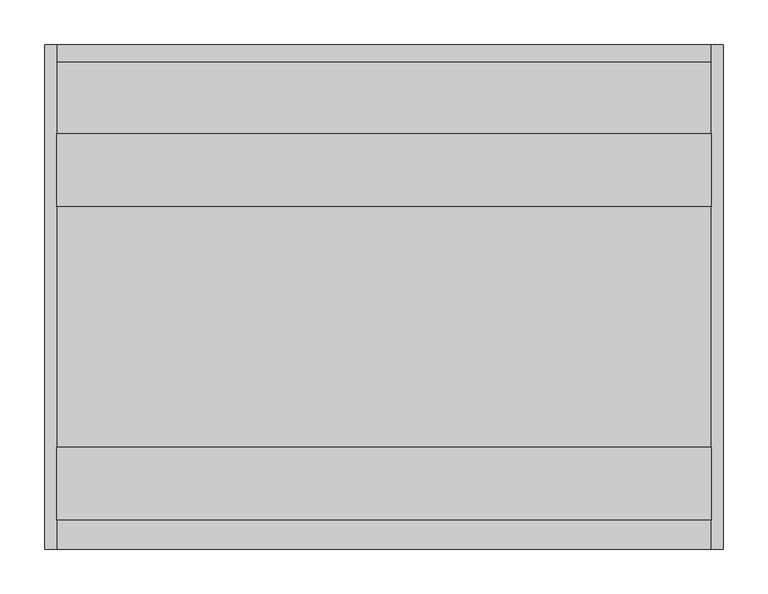
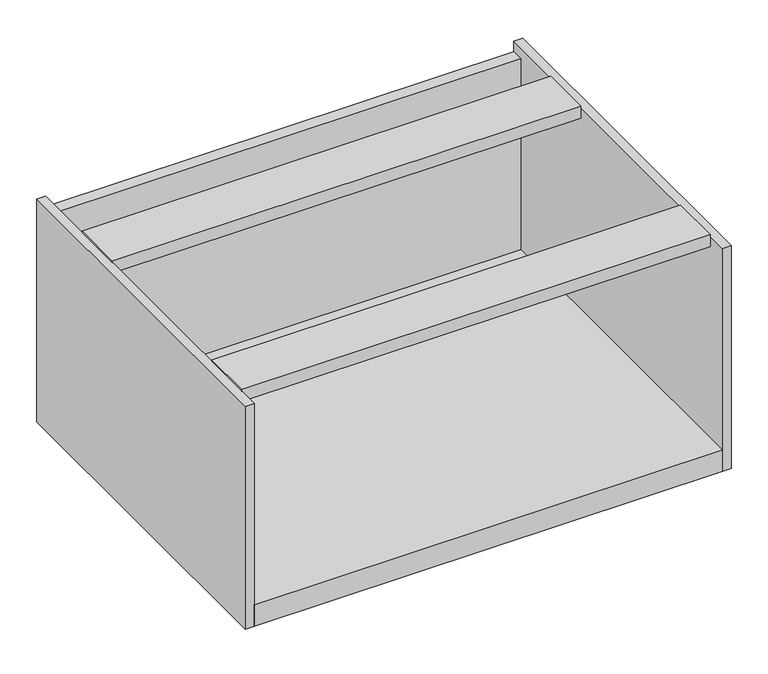
"""IFC4 building model written with IfcOpenShell, lengths in millimetres: furniture geometry."""

from ifc_helpers import new_model, si_unit, point, frame, frame_2d, origin, origin_with_axes, place, context, project, spatial, polyline, circle_curve, trimmed, segment, composite_curve, outline, extrude, source, transform, mapped, element, save


def furniture_46d05b79(model_context):
    return source(origin(), model_context, "Body", "SweptSolid", [
        extrude(outline(composite_curve([segment(trimmed(circle_curve(frame_2d((19.0968082, 553.6823789)), 14.478), [point((4.6188082, 553.6823789))], [point((33.5748082, 553.6823789))], False, "CARTESIAN"), True, "CONTINUOUS"), segment(trimmed(circle_curve(frame_2d((19.0968082, 553.6823789)), 14.478), [point((33.5748082, 553.6823789))], [point((4.6188082, 553.6823789))], False, "CARTESIAN"), True, "CONTINUOUS")], self_intersect=False)), origin_with_axes(), (0.0, 0.0, 1.0), 12.7),
        extrude(outline(composite_curve([segment(trimmed(circle_curve(frame_2d((19.0968082, 55.3254588)), 14.478), [point((4.6188082, 55.3254588))], [point((33.5748082, 55.3254588))], False, "CARTESIAN"), True, "CONTINUOUS"), segment(trimmed(circle_curve(frame_2d((19.0968082, 55.3254588)), 14.478), [point((33.5748082, 55.3254588))], [point((4.6188082, 55.3254588))], False, "CARTESIAN"), True, "CONTINUOUS")], self_intersect=False)), origin_with_axes(), (0.0, 0.0, 1.0), 12.7),
        extrude(outline(composite_curve([segment(trimmed(circle_curve(frame_2d((709.4419262, 553.6823789)), 14.478), [point((694.9639262, 553.6823789))], [point((723.9199262, 553.6823789))], False, "CARTESIAN"), True, "CONTINUOUS"), segment(trimmed(circle_curve(frame_2d((709.4419262, 553.6823789)), 14.478), [point((723.9199262, 553.6823789))], [point((694.9639262, 553.6823789))], False, "CARTESIAN"), True, "CONTINUOUS")], self_intersect=False)), origin_with_axes(), (0.0, 0.0, 1.0), 12.7),
        extrude(outline(composite_curve([segment(trimmed(circle_curve(frame_2d((709.4419262, 55.3254588)), 14.478), [point((694.9639262, 55.3254588))], [point((723.9199262, 55.3254588))], False, "CARTESIAN"), True, "CONTINUOUS"), segment(trimmed(circle_curve(frame_2d((709.4419262, 55.3254588)), 14.478), [point((723.9199262, 55.3254588))], [point((694.9639262, 55.3254588))], False, "CARTESIAN"), True, "CONTINUOUS")], self_intersect=False)), origin_with_axes(), (0.0, 0.0, 1.0), 12.7),
        extrude(outline(polyline([(569.8990349, 365.404404), (589.026, 365.404404), (589.026, 12.7), (22.5805444, 12.7), (22.5805444, 48.5394019), (569.8990349, 48.5394019), (569.8990349, 365.404404)])), frame((-2.6276215, 0.0, 0.0), z_axis=(1.0, 0.0, 0.0), x_axis=(0.0, 1.0, 0.0)), (0.0, 0.0, 1.0), 734.3639434),
        extrude(outline(polyline([(731.7363219, 488.9754), (731.7363219, 407.5938), (-2.6276215, 407.5938), (-2.6276215, 488.9754), (731.7363219, 488.9754)])), frame((0.0, 0.0, 365.404404), z_axis=(0.0, 0.0, 1.0), x_axis=(1.0, 0.0, 0.0)), (0.0, 0.0, 1.0), 19.9898046),
        extrude(outline(polyline([(731.7363219, 137.0838), (731.7363219, 55.7022), (-2.6276215, 55.7022), (-2.6276215, 137.0838), (731.7363219, 137.0838)])), frame((0.0, 0.0, 365.404404), z_axis=(0.0, 0.0, 1.0), x_axis=(1.0, 0.0, 0.0)), (0.0, 0.0, 1.0), 19.9898046),
        extrude(outline(polyline([(-2.6276215, 589.026), (-2.6276215, 22.5805444), (-16.4460781, 22.5805444), (-16.4460781, 589.026), (-2.6276215, 589.026)])), frame((0.0, 0.0, 12.7), z_axis=(0.0, 0.0, 1.0), x_axis=(1.0, 0.0, 0.0)), (0.0, 0.0, 1.0), 369.900193),
        extrude(outline(polyline([(745.5539219, 589.026), (745.5539219, 22.5805444), (731.7363219, 22.5805444), (731.7363219, 589.026), (745.5539219, 589.026)])), frame((0.0, 0.0, 12.7), z_axis=(0.0, 0.0, 1.0), x_axis=(1.0, 0.0, 0.0)), (0.0, 0.0, 1.0), 369.900193),
    ])


if __name__ == "__main__":
    model = new_model("IFC4")
    model_context = context("Model", 3, world=origin())
    ifc_project = project(units=[si_unit("LENGTHUNIT", "METRE", prefix="MILLI")], contexts=[model_context])
    site = spatial("IfcSite", under=ifc_project)
    building = spatial("IfcBuilding", under=site)
    placement = place(None, origin())
    furniture_shape = furniture_46d05b79(model_context)
    element("IfcFurniture", 1, at=placement, inside=building, context=model_context, shape_type="MappedRepresentation", body=[
        mapped(furniture_shape, transform((0.0, 0.0, 0.0), x_axis=(1.0, 0.0, 0.0), y_axis=(0.0, 1.0, 0.0), z_axis=(0.0, 0.0, 1.0))),
    ])
    save(model, "model.ifc")
